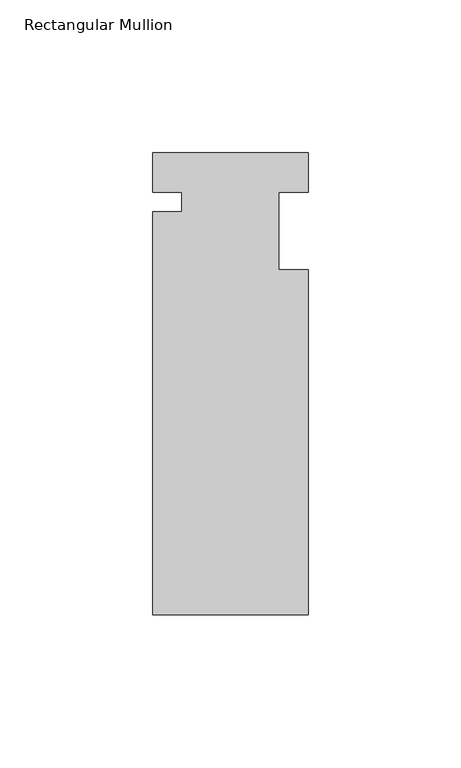
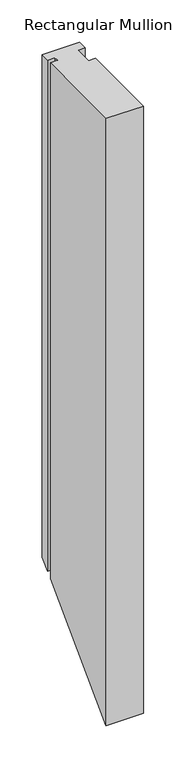
"""IFC4 building model written with IfcOpenShell, lengths in millimetres: member geometry, Rectangular Mullion."""

from ifc_helpers import new_model, si_unit, origin, place, context, project, spatial, faceted_brep, source, transform, mapped, element, save


def rectangular_mullion_ed89df25(model_context):
    return source(origin(), model_context, "Body", "Brep", [
        faceted_brep([(-25.4, 12.88415, 0.0), (-25.4, 0.0, 0.0), (-15.875, 0.0, 0.0), (-15.875, -6.35, 0.0), (-25.4, -6.35, 0.0), (-25.4, -138.29665, 0.0), (25.4, -138.29665, 0.0), (25.4, -25.4, 0.0), (15.875, -25.4, 0.0), (15.875, 0.0, 0.0), (25.4, 0.0, 0.0), (25.4, 12.88415, 0.0), (-25.4, 12.88415, -723.71585), (-25.4, 0.0, -736.6), (-15.875, 0.0, -736.6), (-15.875, -6.35, -742.95), (-25.4, -6.35, -742.95), (-25.4, -138.29665, -874.89665), (25.4, -138.29665, -874.89665), (25.4, -25.4, -762.0), (15.875, -25.4, -762.0), (15.875, 0.0, -736.6), (25.4, 0.0, -736.6), (25.4, 12.88415, -723.71585)], [[[0, 1, 2, 3, 4, 5, 6, 7, 8, 9, 10, 11]], [[1, 0, 12, 13]], [[2, 1, 13, 14]], [[3, 2, 14, 15]], [[4, 3, 15, 16]], [[5, 4, 16, 17]], [[6, 5, 17, 18]], [[7, 6, 18, 19]], [[8, 7, 19, 20]], [[9, 8, 20, 21]], [[10, 9, 21, 22]], [[11, 10, 22, 23]], [[0, 11, 23, 12]], [[12, 23, 22, 21, 20, 19, 18, 17, 16, 15, 14, 13]]]),
    ])


if __name__ == "__main__":
    model = new_model("IFC4")
    model_context = context("Model", 3, world=origin())
    ifc_project = project(units=[si_unit("LENGTHUNIT", "METRE", prefix="MILLI")], contexts=[model_context])
    site = spatial("IfcSite", under=ifc_project)
    building = spatial("IfcBuilding", under=site)
    placement = place(None, origin())
    rectangular_mullion_shape = rectangular_mullion_ed89df25(model_context)
    element("IfcMember", 1, ObjectType="Rectangular Mullion", at=placement, inside=building, context=model_context, shape_type="MappedRepresentation", body=[
        mapped(rectangular_mullion_shape, transform((0.0, 0.0, 0.0), x_axis=(1.0, 0.0, 0.0), y_axis=(0.0, 1.0, 0.0), z_axis=(0.0, 0.0, 1.0))),
    ])
    save(model, "model.ifc")
